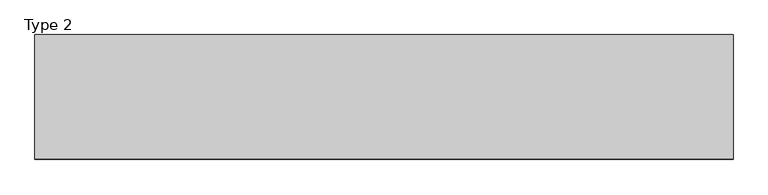
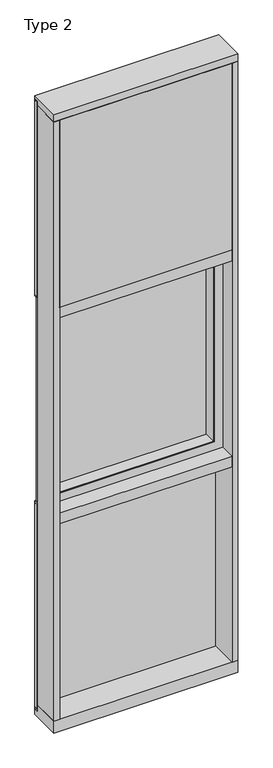
"""IFC4 building model written with IfcOpenShell, lengths in millimetres: plate geometry, Type 2."""

import ifcopenshell
import ifcopenshell.guid

model = None  # the IFC model being written
_history = None  # IfcOwnerHistory: only IFC2X3 demands one
_inside = {}  # id of a spatial element -> (the spatial element, [elements in it])
_under = {}  # id of a project, library or spatial element -> (it, [spatial elements below it])
_declared = {}  # id of a project -> (the project, [libraries it declares])
_typed = {}  # id of a type object -> (the type object, [elements of that type])
_made_of = {}  # id of a material, layer set ... -> (it, [elements and type objects made of it])


def new_model(schema):
    """Start an empty IFC model of exactly this schema.

    Asked for "IFC4X3", IfcOpenShell would pick the latest addendum, in which some entities
    have other attributes; the version numbers below select the first issue.
    IFC2X3 requires an IfcOwnerHistory on every rooted entity: one is made here for all.
    """
    global model, _history
    if schema == "IFC4X3":
        model = ifcopenshell.file(schema_version=(4, 3, 0, 0))
    else:
        model = ifcopenshell.file(schema=schema)
    _inside.clear()
    _under.clear()
    _declared.clear()
    _typed.clear()
    _made_of.clear()
    _history = None
    if model.schema == "IFC2X3":
        org = make("IfcOrganization", Name="unknown")
        user = make(
            "IfcPersonAndOrganization",
            ThePerson=make("IfcPerson", FamilyName="unknown"),
            TheOrganization=org,
        )
        app = make(
            "IfcApplication",
            ApplicationDeveloper=org,
            Version="unknown",
            ApplicationFullName="unknown",
            ApplicationIdentifier="unknown",
        )
        _history = make(
            "IfcOwnerHistory",
            OwningUser=user,
            OwningApplication=app,
            ChangeAction="ADDED",
            CreationDate=0,
        )
    return model


def make(cls, **values):
    """One entity of the class cls with the attributes given. An attribute that is None is left unset."""
    return model.create_entity(
        cls, **{name: value for name, value in values.items() if value is not None}
    )


def rooted(cls, **values):
    """An entity with a GlobalId (a new one), such as an element, a storey or a relation."""
    return make(cls, GlobalId=ifcopenshell.guid.new(), OwnerHistory=_history, **values)


def si_unit(unit_type, name, prefix=None):
    """IfcSIUnit, for example si_unit("LENGTHUNIT", "METRE", prefix="MILLI")."""
    return make("IfcSIUnit", UnitType=unit_type, Prefix=prefix, Name=name)


def assignment(units):
    """IfcUnitAssignment: the units of a project."""
    return None if units is None else make("IfcUnitAssignment", Units=units)


def point(xyz):
    """IfcCartesianPoint."""
    return None if xyz is None else make("IfcCartesianPoint", Coordinates=xyz)


def direction(xyz):
    """IfcDirection."""
    return None if xyz is None else make("IfcDirection", DirectionRatios=xyz)


def frame(location, z_axis=None, x_axis=None):
    """IfcAxis2Placement3D, a coordinate frame: its origin and axes. An axis left out is left unset."""
    return make(
        "IfcAxis2Placement3D",
        Location=point(location),
        Axis=direction(z_axis),
        RefDirection=direction(x_axis),
    )


def origin():
    """The frame at (0, 0, 0) with its axes left unset."""
    return frame((0.0, 0.0, 0.0))


def place(relative_to, where):
    """IfcLocalPlacement: puts the frame where relative to a parent placement (None: the world)."""
    return make(
        "IfcLocalPlacement", PlacementRelTo=relative_to, RelativePlacement=where
    )


def context(
    kind, dimensions, precision=None, world=None, true_north=None, identifier=None
):
    """IfcGeometricRepresentationContext, for example the 3D "Model" context."""
    return make(
        "IfcGeometricRepresentationContext",
        ContextIdentifier=identifier,
        ContextType=kind,
        CoordinateSpaceDimension=dimensions,
        Precision=precision,
        WorldCoordinateSystem=world,
        TrueNorth=true_north,
    )


def project(units=None, contexts=None):
    """IfcProject with its units and contexts."""
    return rooted(
        "IfcProject",
        Name="project",
        RepresentationContexts=contexts,
        UnitsInContext=assignment(units),
    )


def spatial(cls, under=None, at=None, **own):
    """A site, building, storey or space (cls), placed at a placement, below another one or the project."""
    s = rooted(cls, ObjectPlacement=at, **own)
    if under is not None:
        _under.setdefault(under.id(), (under, []))[1].append(s)
    return s


def polyline(points):
    """IfcPolyline through the points."""
    return make("IfcPolyline", Points=[point(p) for p in points])


def outline(outer, holes=None, kind="AREA"):
    """IfcArbitraryClosedProfileDef: a profile drawn as a closed curve; with holes, ...WithVoids."""
    if holes is None:
        return make("IfcArbitraryClosedProfileDef", ProfileType=kind, OuterCurve=outer)
    return make(
        "IfcArbitraryProfileDefWithVoids",
        ProfileType=kind,
        OuterCurve=outer,
        InnerCurves=holes,
    )


def extrude(swept, where, along, depth):
    """IfcExtrudedAreaSolid: the profile swept, set in the frame where, extruded along a direction by depth."""
    return make(
        "IfcExtrudedAreaSolid",
        SweptArea=swept,
        Position=where,
        ExtrudedDirection=direction(along),
        Depth=depth,
    )


def faces_of(points, faces, orient=None, outer=None):
    """IfcFace entities. A face is a list of loops; a loop is a list of indices into points, from 0.

    orient and outer hold one flag for each loop. By default every Orientation is true, the
    first loop of a face is its IfcFaceOuterBound and the others are IfcFaceBound.
    """
    made = []
    for i, loops in enumerate(faces):
        bounds = []
        for j, loop in enumerate(loops):
            is_outer = j == 0 if outer is None else outer[i][j]
            bounds.append(
                make(
                    "IfcFaceOuterBound" if is_outer else "IfcFaceBound",
                    Bound=make("IfcPolyLoop", Polygon=[points[k] for k in loop]),
                    Orientation=True if orient is None else orient[i][j],
                )
            )
        made.append(make("IfcFace", Bounds=bounds))
    return made


def faceted_brep(points, faces, orient=None, outer=None, voids=None):
    """IfcFacetedBrep: a solid bounded by flat faces; with voids (closed shells), ...WithVoids."""
    shared = [point(p) for p in points]
    hull = make("IfcClosedShell", CfsFaces=faces_of(shared, faces, orient, outer))
    if voids is None:
        return make("IfcFacetedBrep", Outer=hull)
    return make(
        "IfcFacetedBrepWithVoids",
        Outer=hull,
        Voids=[
            make(cls, CfsFaces=faces_of(shared, fs, o, b)) for cls, fs, o, b in voids
        ],
    )


def shape(context_of_items, identifier, shape_type, items):
    """IfcShapeRepresentation: the items that make up one representation, for example the "Body"."""
    return make(
        "IfcShapeRepresentation",
        ContextOfItems=context_of_items,
        RepresentationIdentifier=identifier,
        RepresentationType=shape_type,
        Items=items,
    )


def source(mapping_origin, context_of_items, identifier, shape_type, items):
    """IfcRepresentationMap: a shape defined once, which mapped items show again and again."""
    return make(
        "IfcRepresentationMap",
        MappingOrigin=mapping_origin,
        MappedRepresentation=shape(context_of_items, identifier, shape_type, items),
    )


def transform(
    local_origin,
    x_axis=None,
    y_axis=None,
    z_axis=None,
    scale=None,
    scale2=None,
    scale3=None,
    uniform=True,
):
    """IfcCartesianTransformationOperator3D, or its non-uniform kind. x_axis, y_axis, z_axis: its Axis1, 2, 3."""
    if uniform:
        return make(
            "IfcCartesianTransformationOperator3D",
            Axis1=direction(x_axis),
            Axis2=direction(y_axis),
            LocalOrigin=point(local_origin),
            Scale=scale,
            Axis3=direction(z_axis),
        )
    return make(
        "IfcCartesianTransformationOperator3DnonUniform",
        Axis1=direction(x_axis),
        Axis2=direction(y_axis),
        LocalOrigin=point(local_origin),
        Scale=scale,
        Axis3=direction(z_axis),
        Scale2=scale2,
        Scale3=scale3,
    )


def mapped(mapping_source, mapping_target):
    """IfcMappedItem: shows the shape of a source again, moved by a transform."""
    return make(
        "IfcMappedItem", MappingSource=mapping_source, MappingTarget=mapping_target
    )


def made_of(thing, what):
    """Note that an element or type object is made of a material, layer set ...; save() writes the relation."""
    if what is not None:
        _made_of.setdefault(what.id(), (what, []))[1].append(thing)
    return thing


def element(
    cls,
    number,
    at=None,
    inside=None,
    cuts=None,
    type_object=None,
    material=None,
    context=None,
    identifier="Body",
    shape_type=None,
    held_by="IfcProductDefinitionShape",
    body=None,
    shapes=None,
    **own,
):
    """One element of the class cls, such as IfcWall. Its Tag is "e" and its number.

    at: its placement. inside: the storey or other place that contains it. cuts: it is an
    opening in that element (IfcRelVoidsElement). A single representation is given by context,
    identifier, shape_type and body (its items); several are given by shapes. held_by: the class
    of the entity that holds the representations. save() writes the other relations.
    """
    e = rooted(cls, Tag="e%d" % number, ObjectPlacement=at, **own)
    if body is not None:
        shapes = [shape(context, identifier, shape_type, body)]
    if shapes is not None:
        e.Representation = make(held_by, Representations=shapes)
    if inside is not None:
        _inside.setdefault(inside.id(), (inside, []))[1].append(e)
    if cuts is not None:
        rooted(
            "IfcRelVoidsElement", RelatingBuildingElement=cuts, RelatedOpeningElement=e
        )
    if type_object is not None:
        _typed.setdefault(type_object.id(), (type_object, []))[1].append(e)
    return made_of(e, material)


def aggregate(whole, parts):
    """IfcRelAggregates: a whole, such as a stair, and the parts it consists of."""
    return rooted("IfcRelAggregates", RelatingObject=whole, RelatedObjects=parts)


def save(model, path):
    """Write the relations noted so far, then the file.

    IfcRelAggregates (storeys below a building ...), IfcRelContainedInSpatialStructure (elements
    in a storey), IfcRelDefinesByType, IfcRelAssociatesMaterial and IfcRelDeclares: one each for
    every whole, place, type object, material and project.
    """
    for whole, parts in _under.values():
        aggregate(whole, parts)
    for where, things in _inside.values():
        rooted(
            "IfcRelContainedInSpatialStructure",
            RelatedElements=things,
            RelatingStructure=where,
        )
    for kind, things in _typed.values():
        rooted("IfcRelDefinesByType", RelatedObjects=things, RelatingType=kind)
    for what, things in _made_of.values():
        rooted("IfcRelAssociatesMaterial", RelatedObjects=things, RelatingMaterial=what)
    for by, libraries in _declared.values():
        rooted("IfcRelDeclares", RelatingContext=by, RelatedDefinitions=libraries)
    model.write(path)


def type_2_dcb31b05(model_context):
    return source(origin(), model_context, "Body", "SolidModel", [
        faceted_brep([(-457.21905, 1.5875, 1276.33095), (-457.21905, 26.9875, 1276.33095), (-457.21905, 26.9875, 2381.26905), (-457.21905, 1.5875, 2381.26905), (-428.625, -68.2529804, 1304.925), (-428.625, 1.5875, 1304.925), (-428.625, 1.5875, 2352.675), (-428.625, -68.2529804, 2352.675), (-431.00625, -63.4904804, 1302.54375), (-431.00625, -68.2529804, 1302.54375), (-431.00625, -68.2529804, 2355.05625), (-431.00625, -63.4904804, 2355.05625), (-434.18125, -68.2529804, 1299.36875), (-434.18125, -66.0939347, 1299.36875), (-434.18125, -66.0939347, 2358.23125), (-434.18125, -68.2529804, 2358.23125), (-482.6, 26.9875, 1250.95), (-482.6, -68.2529804, 1250.95), (-482.6, -68.2529804, 2406.65), (-482.6, 26.9875, 2406.65), (-449.2625, -7.9279804, 1284.2875), (-449.2625, -63.4904804, 1284.2875), (-449.2625, -63.4904804, 2373.3125), (-449.2625, -7.9279804, 2373.3125), (-464.7836465, -12.4174268, 1268.7663535), (-464.7836465, -7.9279804, 1268.7663535), (-464.7836465, -7.9279804, 2388.8336465), (-464.7836465, -12.4174268, 2388.8336465), (-466.725, -66.0939347, 1266.825), (-466.725, -12.4174268, 1266.825), (-466.725, -12.4174268, 2390.775), (-466.725, -66.0939347, 2390.775), (457.21905, 26.9875, 2381.26905), (457.21905, 1.5875, 2381.26905), (428.625, 1.5875, 2352.675), (428.625, -68.2529804, 2352.675), (431.00625, -68.2529804, 2355.05625), (431.00625, -63.4904804, 2355.05625), (449.2625, -63.4904804, 2373.3125), (449.2625, -7.9279804, 2373.3125), (464.7836465, -7.9279804, 2388.8336465), (464.7836465, -12.4174268, 2388.8336465), (466.725, -12.4174268, 2390.775), (466.725, -66.0939347, 2390.775), (434.18125, -66.0939347, 2358.23125), (434.18125, -68.2529804, 2358.23125), (482.6, -68.2529804, 2406.65), (482.6, 26.9875, 2406.65), (457.21905, 26.9875, 1276.33095), (457.21905, 1.5875, 1276.33095), (428.625, 1.5875, 1304.925), (428.625, -68.2529804, 1304.925), (431.00625, -68.2529804, 1302.54375), (431.00625, -63.4904804, 1302.54375), (449.2625, -63.4904804, 1284.2875), (449.2625, -7.9279804, 1284.2875), (464.7836465, -7.9279804, 1268.7663535), (464.7836465, -12.4174268, 1268.7663535), (466.725, -12.4174268, 1266.825), (466.725, -66.0939347, 1266.825), (434.18125, -66.0939347, 1299.36875), (434.18125, -68.2529804, 1299.36875), (482.6, -68.2529804, 1250.95), (482.6, 26.9875, 1250.95)], [[[0, 1, 2, 3]], [[4, 5, 6, 7]], [[8, 9, 10, 11]], [[12, 13, 14, 15]], [[16, 17, 18, 19]], [[20, 21, 22, 23]], [[24, 25, 26, 27]], [[28, 29, 30, 31]], [[3, 2, 32, 33]], [[7, 6, 34, 35]], [[11, 10, 36, 37]], [[23, 22, 38, 39]], [[27, 26, 40, 41]], [[31, 30, 42, 43]], [[15, 14, 44, 45]], [[19, 18, 46, 47]], [[33, 32, 48, 49]], [[35, 34, 50, 51]], [[37, 36, 52, 53]], [[39, 38, 54, 55]], [[41, 40, 56, 57]], [[43, 42, 58, 59]], [[45, 44, 60, 61]], [[47, 46, 62, 63]], [[19, 47, 63, 16], [1, 48, 32, 2]], [[49, 48, 1, 0]], [[3, 33, 49, 0], [5, 50, 34, 6]], [[51, 50, 5, 4]], [[9, 52, 36, 10], [7, 35, 51, 4]], [[53, 52, 9, 8]], [[21, 54, 38, 22], [11, 37, 53, 8]], [[55, 54, 21, 20]], [[25, 56, 40, 26], [23, 39, 55, 20]], [[57, 56, 25, 24]], [[29, 58, 42, 30], [27, 41, 57, 24]], [[59, 58, 29, 28]], [[31, 43, 59, 28], [13, 60, 44, 14]], [[61, 60, 13, 12]], [[17, 62, 46, 18], [15, 45, 61, 12]], [[63, 62, 17, 16]]]),
        extrude(outline(polyline([(457.21905, 26.9875), (457.21905, 1.5875), (-457.21905, 1.5875), (-457.21905, 26.9875), (457.21905, 26.9875)])), frame((0.0, 0.0, 1276.33095), z_axis=(0.0, 0.0, 1.0), x_axis=(1.0, 0.0, 0.0)), (0.0, 0.0, 1.0), 1104.9381),
        extrude(outline(polyline([(-514.35, -155.9814), (-514.35, 2.286), (-482.6, 2.286), (-482.6, -155.9814), (-514.35, -155.9814)])), frame((0.0, 0.0, 31.75), z_axis=(0.0, 0.0, 1.0), x_axis=(1.0, 0.0, 0.0)), (0.0, 0.0, 1.0), 3543.3),
        extrude(outline(polyline([(514.35, -155.9814), (482.6, -155.9814), (482.6, 2.286), (514.35, 2.286), (514.35, -155.9814)])), frame((0.0, 0.0, 31.75), z_axis=(0.0, 0.0, 1.0), x_axis=(1.0, 0.0, 0.0)), (0.0, 0.0, 1.0), 3543.3),
        extrude(outline(polyline([(482.6010892, -48.6409999), (482.6010892, -156.32684), (-482.6, -156.32684), (-482.6, -48.6409999), (482.6010892, -48.6409999)])), frame((0.0, 0.0, 2470.15), z_axis=(0.0, 0.0, 1.0), x_axis=(1.0, 0.0, 0.0)), (0.0, 0.0, 1.0), 1104.9984372),
        extrude(outline(polyline([(514.35, 27.6881517), (514.35, 11.2982336), (501.6510892, 11.2982336), (501.6510892, 27.6881517), (514.35, 27.6881517)])), frame((0.0, 0.0, 2444.75), z_axis=(0.0, 0.0, 1.0), x_axis=(1.0, 0.0, 0.0)), (0.0, 0.0, 1.0), 1149.35),
        extrude(outline(polyline([(-501.6510892, 27.6881517), (-501.6510892, 11.2982336), (-514.35, 11.2982336), (-514.35, 27.6881517), (-501.6510892, 27.6881517)])), frame((0.0, 0.0, 2444.75), z_axis=(0.0, 0.0, 1.0), x_axis=(1.0, 0.0, 0.0)), (0.0, 0.0, 1.0), 1149.35),
        extrude(outline(polyline([(501.6510892, 27.686), (501.6510892, 2.286), (-501.6510892, 2.286), (-501.6510892, 27.686), (501.6510892, 27.686)])), frame((0.0, 0.0, 2444.75), z_axis=(0.0, 0.0, 1.0), x_axis=(1.0, 0.0, 0.0)), (0.0, 0.0, 1.0), 1149.35),
        extrude(outline(polyline([(514.35, 27.6881517), (514.35, 11.2982336), (501.6510892, 11.2982336), (501.6510892, 27.6881517), (514.35, 27.6881517)])), frame((0.0, 0.0, 6.35), z_axis=(0.0, 0.0, 1.0), x_axis=(1.0, 0.0, 0.0)), (0.0, 0.0, 1.0), 1206.5),
        extrude(outline(polyline([(-501.6510892, 27.6881517), (-501.6510892, 11.2982336), (-514.35, 11.2982336), (-514.35, 27.6881517), (-501.6510892, 27.6881517)])), frame((0.0, 0.0, 6.35), z_axis=(0.0, 0.0, 1.0), x_axis=(1.0, 0.0, 0.0)), (0.0, 0.0, 1.0), 1206.5),
        extrude(outline(polyline([(501.6510892, 27.686), (501.6510892, 2.286), (-501.6510892, 2.286), (-501.6510892, 27.686), (501.6510892, 27.686)])), frame((0.0, 0.0, 6.35), z_axis=(0.0, 0.0, 1.0), x_axis=(1.0, 0.0, 0.0)), (0.0, 0.0, 1.0), 1206.5),
        extrude(outline(polyline([(514.35, 27.686), (514.35, 6.35), (-514.35, 6.35), (-514.35, 27.686), (514.35, 27.686)])), frame((0.0, 0.0, 1212.85), z_axis=(0.0, 0.0, 1.0), x_axis=(1.0, 0.0, 0.0)), (0.0, 0.0, 1.0), 12.7),
        extrude(outline(polyline([(514.35, 27.6881517), (514.35, 11.2982336), (-514.35, 11.2982336), (-514.35, 27.6881517), (514.35, 27.6881517)])), frame((0.0, 0.0, 2438.4), z_axis=(0.0, 0.0, 1.0), x_axis=(1.0, 0.0, 0.0)), (0.0, 0.0, 1.0), 6.35),
        extrude(outline(polyline([(1225.55, 508.0), (2432.05, 508.0), (2432.05, -508.0), (1225.55, -508.0), (1225.55, 508.0)]), holes=[polyline([(1250.95, -482.6), (2406.65, -482.6), (2406.65, 482.6), (1250.95, 482.6), (1250.95, -482.6)])]), frame((0.0, 2.2859999, 0.0), z_axis=(0.0, 1.0, 0.0), x_axis=(0.0, 0.0, 1.0)), (0.0, 0.0, 1.0), 25.3960313),
        extrude(outline(polyline([(-482.6, -155.4734), (-482.6, 2.2859999), (482.6, 2.2859999), (482.6, -155.4734), (-482.6, -155.4734)])), frame((0.0, 0.0, 1187.45), z_axis=(0.0, 0.0, 1.0), x_axis=(1.0, 0.0, 0.0)), (0.0, 0.0, 1.0), 63.5),
        extrude(outline(polyline([(-514.35, 15.9510838), (-514.35, 27.6859999), (514.35, 27.6859999), (514.35, 15.9510838), (-514.35, 15.9510838)])), frame((0.0, 0.0, 3594.7366239), z_axis=(0.0, 0.0, 1.0), x_axis=(1.0, 0.0, 0.0)), (0.0, 0.0, 1.0), 6.7161694),
        extrude(outline(polyline([(27.686, 3619.5), (27.686, 3601.4527933), (2.286, 3601.4527933), (2.286, 3575.6866239), (-155.4734, 3575.6866239), (-155.4734, 3619.5), (27.686, 3619.5)])), frame((-514.35, 0.0, 0.0), z_axis=(1.0, 0.0, 0.0), x_axis=(0.0, 1.0, 0.0)), (0.0, 0.0, 1.0), 1028.7),
        extrude(outline(polyline([(-514.35, 5.0946564), (-514.35, 27.6881517), (514.35, 27.6881517), (514.35, 5.0946564), (-514.35, 5.0946564)])), frame((0.0, 0.0, -6.2984797), z_axis=(0.0, 0.0, 1.0), x_axis=(1.0, 0.0, 0.0)), (0.0, 0.0, 1.0), 12.6484797),
        extrude(outline(polyline([(-482.6, -155.4734), (-482.6, 2.2859999), (482.6, 2.2859999), (482.6, -155.4734), (-482.6, -155.4734)])), frame((0.0, 0.0, 2406.65), z_axis=(0.0, 0.0, 1.0), x_axis=(1.0, 0.0, 0.0)), (0.0, 0.0, 1.0), 63.5),
        extrude(outline(polyline([(2.2859999, 31.75), (2.2859999, -6.2983857), (27.6858239, -6.2983857), (27.6858239, -38.1), (-155.6004, -38.1), (-155.6004, 31.75), (2.2859999, 31.75)])), frame((-514.35, 0.0, 0.0), z_axis=(1.0, 0.0, 0.0), x_axis=(0.0, 1.0, 0.0)), (0.0, 0.0, 1.0), 1028.7),
    ])


if __name__ == "__main__":
    model = new_model("IFC4")
    model_context = context("Model", 3, world=origin())
    ifc_project = project(units=[si_unit("LENGTHUNIT", "METRE", prefix="MILLI")], contexts=[model_context])
    site = spatial("IfcSite", under=ifc_project)
    building = spatial("IfcBuilding", under=site)
    placement = place(None, origin())
    type_2_shape = type_2_dcb31b05(model_context)
    element("IfcPlate", 1, ObjectType="Type 2", at=placement, inside=building, context=model_context, shape_type="MappedRepresentation", body=[
        mapped(type_2_shape, transform((0.0, 0.0, 0.0), x_axis=(1.0, 0.0, 0.0), y_axis=(0.0, 1.0, 0.0), z_axis=(0.0, 0.0, 1.0))),
    ])
    save(model, "model.ifc")
